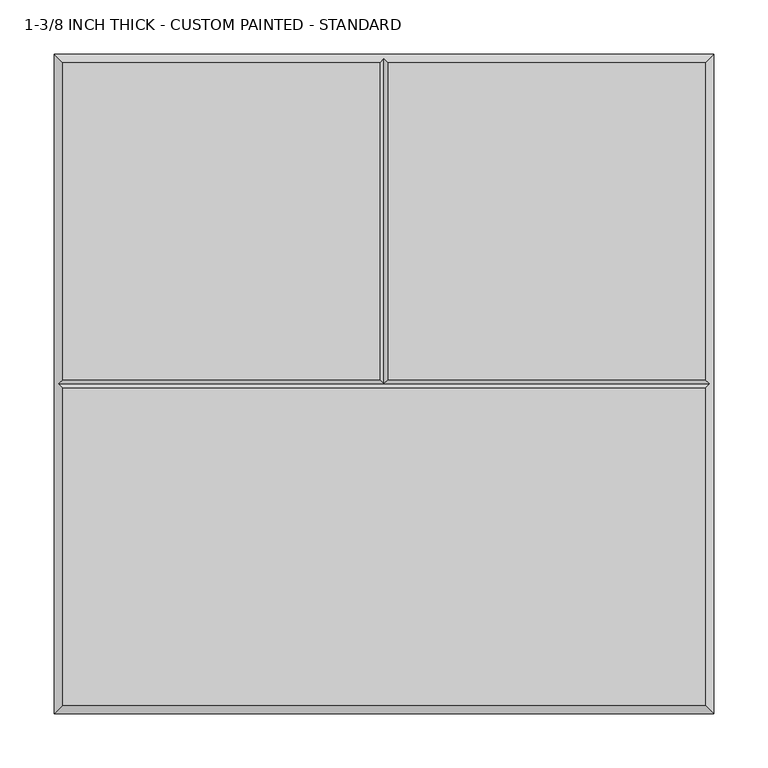
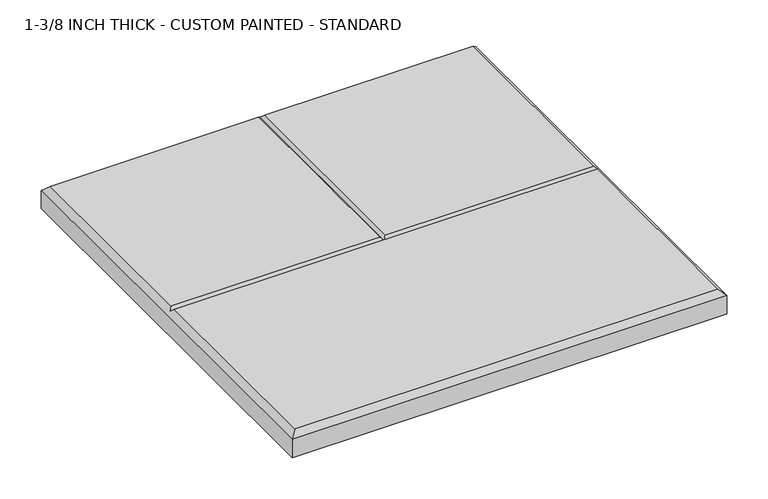
"""IFC4 building model written with IfcOpenShell, lengths in millimetres: proxy geometry, 1-3/8 INCH THICK - CUSTOM PAINTED - STANDARD."""

import ifcopenshell
import ifcopenshell.guid

model = None  # the IFC model being written
_history = None  # IfcOwnerHistory: only IFC2X3 demands one
_inside = {}  # id of a spatial element -> (the spatial element, [elements in it])
_under = {}  # id of a project, library or spatial element -> (it, [spatial elements below it])
_declared = {}  # id of a project -> (the project, [libraries it declares])
_typed = {}  # id of a type object -> (the type object, [elements of that type])
_made_of = {}  # id of a material, layer set ... -> (it, [elements and type objects made of it])


def new_model(schema):
    """Start an empty IFC model of exactly this schema.

    Asked for "IFC4X3", IfcOpenShell would pick the latest addendum, in which some entities
    have other attributes; the version numbers below select the first issue.
    IFC2X3 requires an IfcOwnerHistory on every rooted entity: one is made here for all.
    """
    global model, _history
    if schema == "IFC4X3":
        model = ifcopenshell.file(schema_version=(4, 3, 0, 0))
    else:
        model = ifcopenshell.file(schema=schema)
    _inside.clear()
    _under.clear()
    _declared.clear()
    _typed.clear()
    _made_of.clear()
    _history = None
    if model.schema == "IFC2X3":
        org = make("IfcOrganization", Name="unknown")
        user = make(
            "IfcPersonAndOrganization",
            ThePerson=make("IfcPerson", FamilyName="unknown"),
            TheOrganization=org,
        )
        app = make(
            "IfcApplication",
            ApplicationDeveloper=org,
            Version="unknown",
            ApplicationFullName="unknown",
            ApplicationIdentifier="unknown",
        )
        _history = make(
            "IfcOwnerHistory",
            OwningUser=user,
            OwningApplication=app,
            ChangeAction="ADDED",
            CreationDate=0,
        )
    return model


def make(cls, **values):
    """One entity of the class cls with the attributes given. An attribute that is None is left unset."""
    return model.create_entity(
        cls, **{name: value for name, value in values.items() if value is not None}
    )


def rooted(cls, **values):
    """An entity with a GlobalId (a new one), such as an element, a storey or a relation."""
    return make(cls, GlobalId=ifcopenshell.guid.new(), OwnerHistory=_history, **values)


def si_unit(unit_type, name, prefix=None):
    """IfcSIUnit, for example si_unit("LENGTHUNIT", "METRE", prefix="MILLI")."""
    return make("IfcSIUnit", UnitType=unit_type, Prefix=prefix, Name=name)


def assignment(units):
    """IfcUnitAssignment: the units of a project."""
    return None if units is None else make("IfcUnitAssignment", Units=units)


def point(xyz):
    """IfcCartesianPoint."""
    return None if xyz is None else make("IfcCartesianPoint", Coordinates=xyz)


def direction(xyz):
    """IfcDirection."""
    return None if xyz is None else make("IfcDirection", DirectionRatios=xyz)


def frame(location, z_axis=None, x_axis=None):
    """IfcAxis2Placement3D, a coordinate frame: its origin and axes. An axis left out is left unset."""
    return make(
        "IfcAxis2Placement3D",
        Location=point(location),
        Axis=direction(z_axis),
        RefDirection=direction(x_axis),
    )


def origin():
    """The frame at (0, 0, 0) with its axes left unset."""
    return frame((0.0, 0.0, 0.0))


def place(relative_to, where):
    """IfcLocalPlacement: puts the frame where relative to a parent placement (None: the world)."""
    return make(
        "IfcLocalPlacement", PlacementRelTo=relative_to, RelativePlacement=where
    )


def context(
    kind, dimensions, precision=None, world=None, true_north=None, identifier=None
):
    """IfcGeometricRepresentationContext, for example the 3D "Model" context."""
    return make(
        "IfcGeometricRepresentationContext",
        ContextIdentifier=identifier,
        ContextType=kind,
        CoordinateSpaceDimension=dimensions,
        Precision=precision,
        WorldCoordinateSystem=world,
        TrueNorth=true_north,
    )


def project(units=None, contexts=None):
    """IfcProject with its units and contexts."""
    return rooted(
        "IfcProject",
        Name="project",
        RepresentationContexts=contexts,
        UnitsInContext=assignment(units),
    )


def spatial(cls, under=None, at=None, **own):
    """A site, building, storey or space (cls), placed at a placement, below another one or the project."""
    s = rooted(cls, ObjectPlacement=at, **own)
    if under is not None:
        _under.setdefault(under.id(), (under, []))[1].append(s)
    return s


def faces_of(points, faces, orient=None, outer=None):
    """IfcFace entities. A face is a list of loops; a loop is a list of indices into points, from 0.

    orient and outer hold one flag for each loop. By default every Orientation is true, the
    first loop of a face is its IfcFaceOuterBound and the others are IfcFaceBound.
    """
    made = []
    for i, loops in enumerate(faces):
        bounds = []
        for j, loop in enumerate(loops):
            is_outer = j == 0 if outer is None else outer[i][j]
            bounds.append(
                make(
                    "IfcFaceOuterBound" if is_outer else "IfcFaceBound",
                    Bound=make("IfcPolyLoop", Polygon=[points[k] for k in loop]),
                    Orientation=True if orient is None else orient[i][j],
                )
            )
        made.append(make("IfcFace", Bounds=bounds))
    return made


def faceted_brep(points, faces, orient=None, outer=None, voids=None):
    """IfcFacetedBrep: a solid bounded by flat faces; with voids (closed shells), ...WithVoids."""
    shared = [point(p) for p in points]
    hull = make("IfcClosedShell", CfsFaces=faces_of(shared, faces, orient, outer))
    if voids is None:
        return make("IfcFacetedBrep", Outer=hull)
    return make(
        "IfcFacetedBrepWithVoids",
        Outer=hull,
        Voids=[
            make(cls, CfsFaces=faces_of(shared, fs, o, b)) for cls, fs, o, b in voids
        ],
    )


def shape(context_of_items, identifier, shape_type, items):
    """IfcShapeRepresentation: the items that make up one representation, for example the "Body"."""
    return make(
        "IfcShapeRepresentation",
        ContextOfItems=context_of_items,
        RepresentationIdentifier=identifier,
        RepresentationType=shape_type,
        Items=items,
    )


def source(mapping_origin, context_of_items, identifier, shape_type, items):
    """IfcRepresentationMap: a shape defined once, which mapped items show again and again."""
    return make(
        "IfcRepresentationMap",
        MappingOrigin=mapping_origin,
        MappedRepresentation=shape(context_of_items, identifier, shape_type, items),
    )


def transform(
    local_origin,
    x_axis=None,
    y_axis=None,
    z_axis=None,
    scale=None,
    scale2=None,
    scale3=None,
    uniform=True,
):
    """IfcCartesianTransformationOperator3D, or its non-uniform kind. x_axis, y_axis, z_axis: its Axis1, 2, 3."""
    if uniform:
        return make(
            "IfcCartesianTransformationOperator3D",
            Axis1=direction(x_axis),
            Axis2=direction(y_axis),
            LocalOrigin=point(local_origin),
            Scale=scale,
            Axis3=direction(z_axis),
        )
    return make(
        "IfcCartesianTransformationOperator3DnonUniform",
        Axis1=direction(x_axis),
        Axis2=direction(y_axis),
        LocalOrigin=point(local_origin),
        Scale=scale,
        Axis3=direction(z_axis),
        Scale2=scale2,
        Scale3=scale3,
    )


def mapped(mapping_source, mapping_target):
    """IfcMappedItem: shows the shape of a source again, moved by a transform."""
    return make(
        "IfcMappedItem", MappingSource=mapping_source, MappingTarget=mapping_target
    )


def made_of(thing, what):
    """Note that an element or type object is made of a material, layer set ...; save() writes the relation."""
    if what is not None:
        _made_of.setdefault(what.id(), (what, []))[1].append(thing)
    return thing


def element(
    cls,
    number,
    at=None,
    inside=None,
    cuts=None,
    type_object=None,
    material=None,
    context=None,
    identifier="Body",
    shape_type=None,
    held_by="IfcProductDefinitionShape",
    body=None,
    shapes=None,
    **own,
):
    """One element of the class cls, such as IfcWall. Its Tag is "e" and its number.

    at: its placement. inside: the storey or other place that contains it. cuts: it is an
    opening in that element (IfcRelVoidsElement). A single representation is given by context,
    identifier, shape_type and body (its items); several are given by shapes. held_by: the class
    of the entity that holds the representations. save() writes the other relations.
    """
    e = rooted(cls, Tag="e%d" % number, ObjectPlacement=at, **own)
    if body is not None:
        shapes = [shape(context, identifier, shape_type, body)]
    if shapes is not None:
        e.Representation = make(held_by, Representations=shapes)
    if inside is not None:
        _inside.setdefault(inside.id(), (inside, []))[1].append(e)
    if cuts is not None:
        rooted(
            "IfcRelVoidsElement", RelatingBuildingElement=cuts, RelatedOpeningElement=e
        )
    if type_object is not None:
        _typed.setdefault(type_object.id(), (type_object, []))[1].append(e)
    return made_of(e, material)


def aggregate(whole, parts):
    """IfcRelAggregates: a whole, such as a stair, and the parts it consists of."""
    return rooted("IfcRelAggregates", RelatingObject=whole, RelatedObjects=parts)


def save(model, path):
    """Write the relations noted so far, then the file.

    IfcRelAggregates (storeys below a building ...), IfcRelContainedInSpatialStructure (elements
    in a storey), IfcRelDefinesByType, IfcRelAssociatesMaterial and IfcRelDeclares: one each for
    every whole, place, type object, material and project.
    """
    for whole, parts in _under.values():
        aggregate(whole, parts)
    for where, things in _inside.values():
        rooted(
            "IfcRelContainedInSpatialStructure",
            RelatedElements=things,
            RelatingStructure=where,
        )
    for kind, things in _typed.values():
        rooted("IfcRelDefinesByType", RelatedObjects=things, RelatingType=kind)
    for what, things in _made_of.values():
        rooted("IfcRelAssociatesMaterial", RelatedObjects=things, RelatingMaterial=what)
    for by, libraries in _declared.values():
        rooted("IfcRelDeclares", RelatingContext=by, RelatedDefinitions=libraries)
    model.write(path)


def proxy_1_3_8_inch_thick_custom_painted_standard_c84ac9a0(model_context):
    return source(origin(), model_context, "Body", "Brep", [
        faceted_brep([(-296.799, -296.799, 34.925), (296.799, -296.799, 34.925), (296.799, -4.0005127, 34.925), (-296.799, -4.0005127, 34.925), (-296.799, 296.799, 34.925), (-296.799, 4.0004873, 34.925), (-4.0005, 4.0004873, 34.925), (-4.0005, 296.799, 34.925), (296.799, 4.0004873, 34.925), (296.799, 296.799, 34.925), (4.0005, 296.799, 34.925), (4.0005, 4.0004873, 34.925), (-304.8, 304.8, 0.0), (304.8, 304.8, 0.0), (304.8, -304.8, 0.0), (-304.8, -304.8, 0.0), (-304.8, -304.8, 26.924), (-304.8, 304.8, 26.924), (304.8, -304.8, 26.924), (304.8, 304.8, 26.924), (0.0, 300.7995, 30.9245), (-300.7995, -1.27e-05, 30.9245), (300.7995, -1.27e-05, 30.9245), (0.0, -1.27e-05, 30.9245)], [[[0, 1, 2, 3]], [[4, 5, 6, 7]], [[8, 9, 10, 11]], [[12, 13, 14, 15]], [[12, 15, 16, 17]], [[15, 14, 18, 16]], [[14, 13, 19, 18]], [[13, 12, 17, 19]], [[17, 4, 7, 20, 10, 9, 19]], [[4, 17, 16, 0, 3, 21, 5]], [[0, 16, 18, 1]], [[19, 9, 8, 22, 2, 1, 18]], [[5, 21, 23, 6]], [[22, 8, 11, 23]], [[3, 2, 22, 23, 21]], [[20, 23, 11, 10]], [[23, 20, 7, 6]]]),
    ])


if __name__ == "__main__":
    model = new_model("IFC4")
    model_context = context("Model", 3, world=origin())
    ifc_project = project(units=[si_unit("LENGTHUNIT", "METRE", prefix="MILLI")], contexts=[model_context])
    site = spatial("IfcSite", under=ifc_project)
    building = spatial("IfcBuilding", under=site)
    placement = place(None, origin())
    proxy_1_3_8_inch_thick_custom_painted_standard_shape = proxy_1_3_8_inch_thick_custom_painted_standard_c84ac9a0(model_context)
    element("IfcBuildingElementProxy", 1, Name="1-3/8 INCH THICK - CUSTOM PAINTED - STANDARD", ObjectType="1-3/8 INCH THICK - CUSTOM PAINTED - STANDARD", at=placement, inside=building, context=model_context, shape_type="MappedRepresentation", body=[
        mapped(proxy_1_3_8_inch_thick_custom_painted_standard_shape, transform((0.0, 0.0, 0.0), x_axis=(1.0, 0.0, 0.0), y_axis=(0.0, 1.0, 0.0), z_axis=(0.0, 0.0, 1.0))),
    ])
    save(model, "model.ifc")
